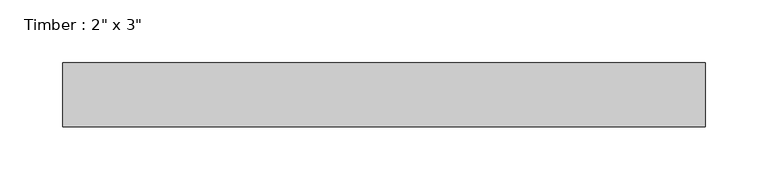
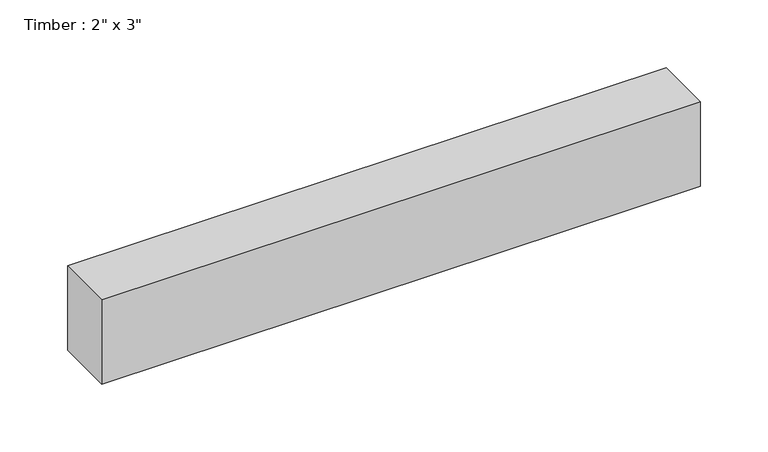
"""IFC4 building model written with IfcOpenShell, lengths in millimetres: beam geometry."""

from ifc_helpers import new_model, si_unit, frame, origin, place, context, project, spatial, polyline, outline, extrude, source, transform, mapped, element, save


def beam_9e16b33a(model_context):
    return source(origin(), model_context, "Body", "SweptSolid", [
        extrude(outline(polyline([(255.5960848, -25.4), (-255.5960848, -25.4), (-255.5960848, 25.4), (255.5960848, 25.4), (255.5960848, -25.4)])), frame((0.0, 0.0, -38.1), z_axis=(0.0, 0.0, 1.0), x_axis=(1.0, 0.0, 0.0)), (0.0, 0.0, 1.0), 76.2),
    ])


if __name__ == "__main__":
    model = new_model("IFC4")
    model_context = context("Model", 3, world=origin())
    ifc_project = project(units=[si_unit("LENGTHUNIT", "METRE", prefix="MILLI")], contexts=[model_context])
    site = spatial("IfcSite", under=ifc_project)
    building = spatial("IfcBuilding", under=site)
    placement = place(None, origin())
    beam_shape = beam_9e16b33a(model_context)
    element("IfcBeam", 1, ObjectType="Timber : 2\" x 3\"", at=placement, inside=building, context=model_context, shape_type="MappedRepresentation", body=[
        mapped(beam_shape, transform((0.0, 0.0, 0.0), x_axis=(1.0, 0.0, 0.0), y_axis=(0.0, 1.0, 0.0), z_axis=(0.0, 0.0, 1.0))),
    ])
    save(model, "model.ifc")
